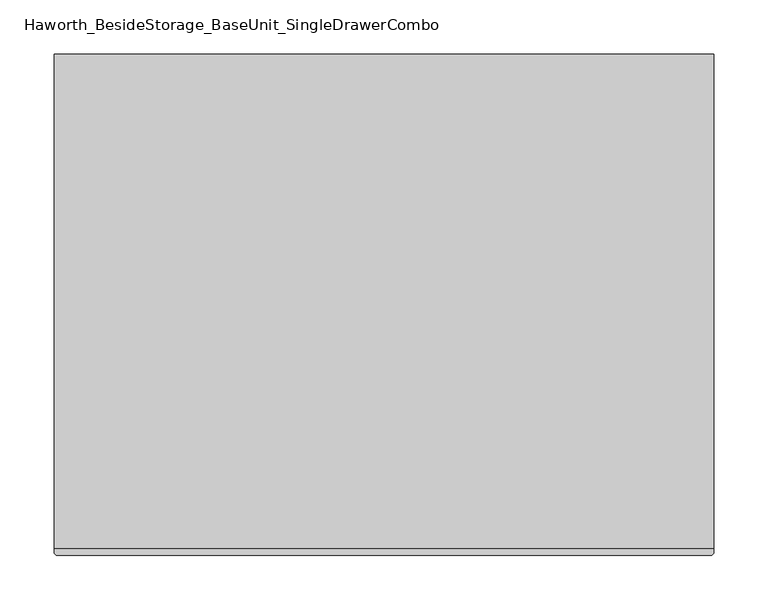
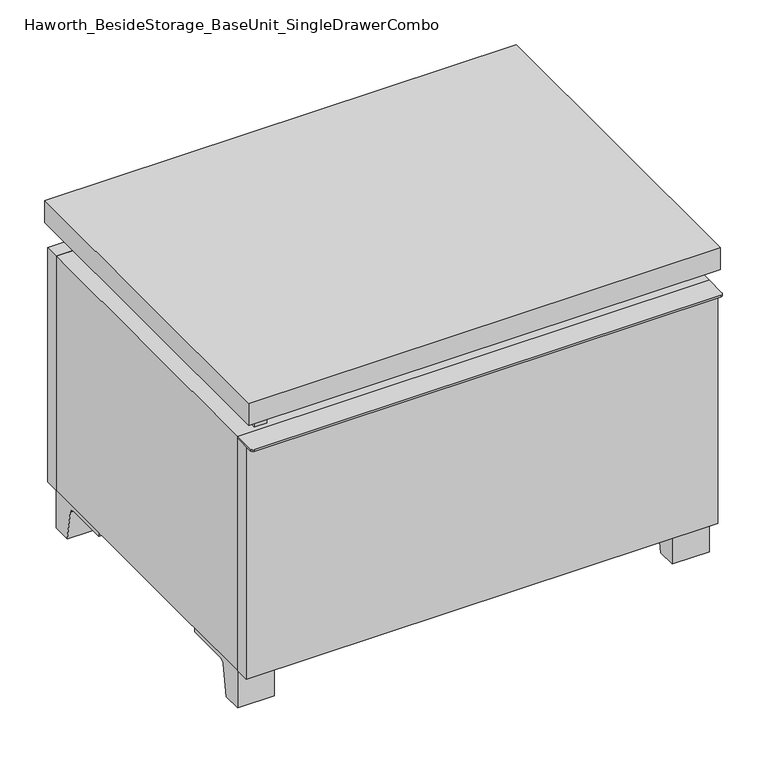
"""IFC4 building model written with IfcOpenShell, lengths in millimetres: furniture geometry, Haworth_BesideStorage_BaseUnit_SingleDrawerCombo."""

import ifcopenshell
import ifcopenshell.guid

model = None  # the IFC model being written
_history = None  # IfcOwnerHistory: only IFC2X3 demands one
_inside = {}  # id of a spatial element -> (the spatial element, [elements in it])
_under = {}  # id of a project, library or spatial element -> (it, [spatial elements below it])
_declared = {}  # id of a project -> (the project, [libraries it declares])
_typed = {}  # id of a type object -> (the type object, [elements of that type])
_made_of = {}  # id of a material, layer set ... -> (it, [elements and type objects made of it])


def new_model(schema):
    """Start an empty IFC model of exactly this schema.

    Asked for "IFC4X3", IfcOpenShell would pick the latest addendum, in which some entities
    have other attributes; the version numbers below select the first issue.
    IFC2X3 requires an IfcOwnerHistory on every rooted entity: one is made here for all.
    """
    global model, _history
    if schema == "IFC4X3":
        model = ifcopenshell.file(schema_version=(4, 3, 0, 0))
    else:
        model = ifcopenshell.file(schema=schema)
    _inside.clear()
    _under.clear()
    _declared.clear()
    _typed.clear()
    _made_of.clear()
    _history = None
    if model.schema == "IFC2X3":
        org = make("IfcOrganization", Name="unknown")
        user = make(
            "IfcPersonAndOrganization",
            ThePerson=make("IfcPerson", FamilyName="unknown"),
            TheOrganization=org,
        )
        app = make(
            "IfcApplication",
            ApplicationDeveloper=org,
            Version="unknown",
            ApplicationFullName="unknown",
            ApplicationIdentifier="unknown",
        )
        _history = make(
            "IfcOwnerHistory",
            OwningUser=user,
            OwningApplication=app,
            ChangeAction="ADDED",
            CreationDate=0,
        )
    return model


def make(cls, **values):
    """One entity of the class cls with the attributes given. An attribute that is None is left unset."""
    return model.create_entity(
        cls, **{name: value for name, value in values.items() if value is not None}
    )


def rooted(cls, **values):
    """An entity with a GlobalId (a new one), such as an element, a storey or a relation."""
    return make(cls, GlobalId=ifcopenshell.guid.new(), OwnerHistory=_history, **values)


def si_unit(unit_type, name, prefix=None):
    """IfcSIUnit, for example si_unit("LENGTHUNIT", "METRE", prefix="MILLI")."""
    return make("IfcSIUnit", UnitType=unit_type, Prefix=prefix, Name=name)


def assignment(units):
    """IfcUnitAssignment: the units of a project."""
    return None if units is None else make("IfcUnitAssignment", Units=units)


def point(xyz):
    """IfcCartesianPoint."""
    return None if xyz is None else make("IfcCartesianPoint", Coordinates=xyz)


def direction(xyz):
    """IfcDirection."""
    return None if xyz is None else make("IfcDirection", DirectionRatios=xyz)


def frame(location, z_axis=None, x_axis=None):
    """IfcAxis2Placement3D, a coordinate frame: its origin and axes. An axis left out is left unset."""
    return make(
        "IfcAxis2Placement3D",
        Location=point(location),
        Axis=direction(z_axis),
        RefDirection=direction(x_axis),
    )


def frame_2d(location, x_axis=None):
    """IfcAxis2Placement2D, a coordinate frame in the plane: its origin and x axis."""
    return make(
        "IfcAxis2Placement2D", Location=point(location), RefDirection=direction(x_axis)
    )


def origin():
    """The frame at (0, 0, 0) with its axes left unset."""
    return frame((0.0, 0.0, 0.0))


def place(relative_to, where):
    """IfcLocalPlacement: puts the frame where relative to a parent placement (None: the world)."""
    return make(
        "IfcLocalPlacement", PlacementRelTo=relative_to, RelativePlacement=where
    )


def context(
    kind, dimensions, precision=None, world=None, true_north=None, identifier=None
):
    """IfcGeometricRepresentationContext, for example the 3D "Model" context."""
    return make(
        "IfcGeometricRepresentationContext",
        ContextIdentifier=identifier,
        ContextType=kind,
        CoordinateSpaceDimension=dimensions,
        Precision=precision,
        WorldCoordinateSystem=world,
        TrueNorth=true_north,
    )


def project(units=None, contexts=None):
    """IfcProject with its units and contexts."""
    return rooted(
        "IfcProject",
        Name="project",
        RepresentationContexts=contexts,
        UnitsInContext=assignment(units),
    )


def spatial(cls, under=None, at=None, **own):
    """A site, building, storey or space (cls), placed at a placement, below another one or the project."""
    s = rooted(cls, ObjectPlacement=at, **own)
    if under is not None:
        _under.setdefault(under.id(), (under, []))[1].append(s)
    return s


def polyline(points):
    """IfcPolyline through the points."""
    return make("IfcPolyline", Points=[point(p) for p in points])


def circle_curve(where, radius):
    """IfcCircle in the frame where."""
    return make("IfcCircle", Position=where, Radius=radius)


def trimmed(basis, trim1, trim2, sense, master):
    """IfcTrimmedCurve: the piece of a basis curve between two trims."""
    return make(
        "IfcTrimmedCurve",
        BasisCurve=basis,
        Trim1=trim1,
        Trim2=trim2,
        SenseAgreement=sense,
        MasterRepresentation=master,
    )


def segment(curve, same_sense, transition):
    """IfcCompositeCurveSegment."""
    return make(
        "IfcCompositeCurveSegment",
        Transition=transition,
        SameSense=same_sense,
        ParentCurve=curve,
    )


def composite_curve(segments, self_intersect=None):
    """IfcCompositeCurve: segments joined end to end."""
    return make("IfcCompositeCurve", Segments=segments, SelfIntersect=self_intersect)


def outline(outer, holes=None, kind="AREA"):
    """IfcArbitraryClosedProfileDef: a profile drawn as a closed curve; with holes, ...WithVoids."""
    if holes is None:
        return make("IfcArbitraryClosedProfileDef", ProfileType=kind, OuterCurve=outer)
    return make(
        "IfcArbitraryProfileDefWithVoids",
        ProfileType=kind,
        OuterCurve=outer,
        InnerCurves=holes,
    )


def extrude(swept, where, along, depth):
    """IfcExtrudedAreaSolid: the profile swept, set in the frame where, extruded along a direction by depth."""
    return make(
        "IfcExtrudedAreaSolid",
        SweptArea=swept,
        Position=where,
        ExtrudedDirection=direction(along),
        Depth=depth,
    )


def shape(context_of_items, identifier, shape_type, items):
    """IfcShapeRepresentation: the items that make up one representation, for example the "Body"."""
    return make(
        "IfcShapeRepresentation",
        ContextOfItems=context_of_items,
        RepresentationIdentifier=identifier,
        RepresentationType=shape_type,
        Items=items,
    )


def source(mapping_origin, context_of_items, identifier, shape_type, items):
    """IfcRepresentationMap: a shape defined once, which mapped items show again and again."""
    return make(
        "IfcRepresentationMap",
        MappingOrigin=mapping_origin,
        MappedRepresentation=shape(context_of_items, identifier, shape_type, items),
    )


def transform(
    local_origin,
    x_axis=None,
    y_axis=None,
    z_axis=None,
    scale=None,
    scale2=None,
    scale3=None,
    uniform=True,
):
    """IfcCartesianTransformationOperator3D, or its non-uniform kind. x_axis, y_axis, z_axis: its Axis1, 2, 3."""
    if uniform:
        return make(
            "IfcCartesianTransformationOperator3D",
            Axis1=direction(x_axis),
            Axis2=direction(y_axis),
            LocalOrigin=point(local_origin),
            Scale=scale,
            Axis3=direction(z_axis),
        )
    return make(
        "IfcCartesianTransformationOperator3DnonUniform",
        Axis1=direction(x_axis),
        Axis2=direction(y_axis),
        LocalOrigin=point(local_origin),
        Scale=scale,
        Axis3=direction(z_axis),
        Scale2=scale2,
        Scale3=scale3,
    )


def mapped(mapping_source, mapping_target):
    """IfcMappedItem: shows the shape of a source again, moved by a transform."""
    return make(
        "IfcMappedItem", MappingSource=mapping_source, MappingTarget=mapping_target
    )


def made_of(thing, what):
    """Note that an element or type object is made of a material, layer set ...; save() writes the relation."""
    if what is not None:
        _made_of.setdefault(what.id(), (what, []))[1].append(thing)
    return thing


def element(
    cls,
    number,
    at=None,
    inside=None,
    cuts=None,
    type_object=None,
    material=None,
    context=None,
    identifier="Body",
    shape_type=None,
    held_by="IfcProductDefinitionShape",
    body=None,
    shapes=None,
    **own,
):
    """One element of the class cls, such as IfcWall. Its Tag is "e" and its number.

    at: its placement. inside: the storey or other place that contains it. cuts: it is an
    opening in that element (IfcRelVoidsElement). A single representation is given by context,
    identifier, shape_type and body (its items); several are given by shapes. held_by: the class
    of the entity that holds the representations. save() writes the other relations.
    """
    e = rooted(cls, Tag="e%d" % number, ObjectPlacement=at, **own)
    if body is not None:
        shapes = [shape(context, identifier, shape_type, body)]
    if shapes is not None:
        e.Representation = make(held_by, Representations=shapes)
    if inside is not None:
        _inside.setdefault(inside.id(), (inside, []))[1].append(e)
    if cuts is not None:
        rooted(
            "IfcRelVoidsElement", RelatingBuildingElement=cuts, RelatedOpeningElement=e
        )
    if type_object is not None:
        _typed.setdefault(type_object.id(), (type_object, []))[1].append(e)
    return made_of(e, material)


def aggregate(whole, parts):
    """IfcRelAggregates: a whole, such as a stair, and the parts it consists of."""
    return rooted("IfcRelAggregates", RelatingObject=whole, RelatedObjects=parts)


def save(model, path):
    """Write the relations noted so far, then the file.

    IfcRelAggregates (storeys below a building ...), IfcRelContainedInSpatialStructure (elements
    in a storey), IfcRelDefinesByType, IfcRelAssociatesMaterial and IfcRelDeclares: one each for
    every whole, place, type object, material and project.
    """
    for whole, parts in _under.values():
        aggregate(whole, parts)
    for where, things in _inside.values():
        rooted(
            "IfcRelContainedInSpatialStructure",
            RelatedElements=things,
            RelatingStructure=where,
        )
    for kind, things in _typed.values():
        rooted("IfcRelDefinesByType", RelatedObjects=things, RelatingType=kind)
    for what, things in _made_of.values():
        rooted("IfcRelAssociatesMaterial", RelatedObjects=things, RelatingMaterial=what)
    for by, libraries in _declared.values():
        rooted("IfcRelDeclares", RelatingContext=by, RelatedDefinitions=libraries)
    model.write(path)


def haworth_besidestorage_baseunit_singledrawercombo_27cc4635(model_context):
    return source(origin(), model_context, "Body", "SweptSolid", [
        extrude(outline(composite_curve([segment(polyline([(304.8138906, -139.7), (304.8138906, -168.275)]), True, "CONTINUOUS"), segment(trimmed(circle_curve(frame_2d((301.6388906, -168.275)), 3.175), [point((304.8138906, -168.275))], [point((301.6388906, -171.45))], False, "CARTESIAN"), True, "CONTINUOUS"), segment(polyline([(301.6388906, -171.45), (-301.6111094, -171.45)]), True, "CONTINUOUS"), segment(trimmed(circle_curve(frame_2d((-301.6111094, -168.275)), 3.175), [point((-301.6111094, -171.45))], [point((-304.7861094, -168.275))], False, "CARTESIAN"), True, "CONTINUOUS"), segment(polyline([(-304.7861094, -168.275), (-304.7861094, -139.7), (304.8138906, -139.7)]), True, "CONTINUOUS")], self_intersect=False)), frame((0.0, 0.0, 369.09375), z_axis=(0.0, 0.0, 1.0), x_axis=(1.0, 0.0, 0.0)), (0.0, 0.0, 1.0), 2.38125),
        extrude(outline(polyline([(304.8138906, -139.7), (304.8138906, -158.75), (-304.7861094, -158.75), (-304.7861094, -139.7), (304.8138906, -139.7)])), frame((0.0, 0.0, 50.8), z_axis=(0.0, 0.0, 1.0), x_axis=(1.0, 0.0, 0.0)), (0.0, 0.0, 1.0), 318.29375),
        extrude(outline(polyline([(304.8138906, 292.1), (304.8138906, -165.1), (-304.7861094, -165.1), (-304.7861094, 292.1), (304.8138906, 292.1)])), frame((0.0, 0.0, 401.6375), z_axis=(0.0, 0.0, 1.0), x_axis=(1.0, 0.0, 0.0)), (0.0, 0.0, 1.0), 30.1625),
        extrude(outline(composite_curve([segment(polyline([(-114.3000136, 0.0), (-139.7, 0.0), (-139.7, 50.8), (-44.45, 50.8), (-44.45, 46.0213321), (-101.2505345, 46.0213321)]), True, "CONTINUOUS"), segment(trimmed(circle_curve(frame_2d((-101.2505345, 39.6713321)), 6.35), [point((-101.2505345, 46.0213321))], [point((-107.5141359, 40.7152656))], True, "CARTESIAN"), True, "CONTINUOUS"), segment(polyline([(-107.5141359, 40.7152656), (-114.3000136, 0.0)]), True, "CONTINUOUS")], self_intersect=False)), frame((257.1888906, 0.0, 0.0), z_axis=(1.0, 0.0, 0.0), x_axis=(0.0, 1.0, 0.0)), (0.0, 0.0, 1.0), 47.625),
        extrude(outline(composite_curve([segment(polyline([(241.3000136, 0.0), (234.5141359, 40.7152656)]), True, "CONTINUOUS"), segment(trimmed(circle_curve(frame_2d((228.2505345, 39.6713321)), 6.35), [point((234.5141359, 40.7152656))], [point((228.2505345, 46.0213321))], True, "CARTESIAN"), True, "CONTINUOUS"), segment(polyline([(228.2505345, 46.0213321), (171.45, 46.0213321), (171.45, 50.8), (266.7, 50.8), (266.7, 0.0), (241.3000136, 0.0)]), True, "CONTINUOUS")], self_intersect=False)), frame((257.1888906, 0.0, 0.0), z_axis=(1.0, 0.0, 0.0), x_axis=(0.0, 1.0, 0.0)), (0.0, 0.0, 1.0), 47.625),
        extrude(outline(composite_curve([segment(polyline([(-114.3000136, 0.0), (-139.7, 0.0), (-139.7, 50.8), (-44.45, 50.8), (-44.45, 46.0213321), (-101.2505345, 46.0213321)]), True, "CONTINUOUS"), segment(trimmed(circle_curve(frame_2d((-101.2505345, 39.6713321)), 6.35), [point((-101.2505345, 46.0213321))], [point((-107.5141359, 40.7152656))], True, "CARTESIAN"), True, "CONTINUOUS"), segment(polyline([(-107.5141359, 40.7152656), (-114.3000136, 0.0)]), True, "CONTINUOUS")], self_intersect=False)), frame((-304.7861094, 0.0, 0.0), z_axis=(1.0, 0.0, 0.0), x_axis=(0.0, 1.0, 0.0)), (0.0, 0.0, 1.0), 47.625),
        extrude(outline(composite_curve([segment(polyline([(241.3000136, 0.0), (234.5141359, 40.7152656)]), True, "CONTINUOUS"), segment(trimmed(circle_curve(frame_2d((228.2505345, 39.6713321)), 6.35), [point((234.5141359, 40.7152656))], [point((228.2505345, 46.0213321))], True, "CARTESIAN"), True, "CONTINUOUS"), segment(polyline([(228.2505345, 46.0213321), (171.45, 46.0213321), (171.45, 50.8), (266.7, 50.8), (266.7, 0.0), (241.3000136, 0.0)]), True, "CONTINUOUS")], self_intersect=False)), frame((-304.7861094, 0.0, 0.0), z_axis=(1.0, 0.0, 0.0), x_axis=(0.0, 1.0, 0.0)), (0.0, 0.0, 1.0), 47.625),
        extrude(outline(polyline([(-279.3791641, -133.35), (-279.3791641, 234.95), (-263.5041641, 234.95), (-263.5041641, 73.025), (263.5111094, 73.025), (263.5111094, 247.65), (279.3861094, 247.65), (279.3861094, -120.65), (263.5111094, -120.65), (263.5111094, 53.975), (-263.5041641, 53.975), (-263.5041641, -133.35), (-279.3791641, -133.35)])), frame((0.0, 0.0, 371.475), z_axis=(0.0, 0.0, 1.0), x_axis=(1.0, 0.0, 0.0)), (0.0, 0.0, 1.0), 30.1625),
        extrude(outline(polyline([(304.8138906, 266.7), (-304.7861094, 266.7), (-304.7861094, 285.75), (304.8138906, 285.75), (304.8138906, 266.7)])), frame((0.0, 0.0, 50.8), z_axis=(0.0, 0.0, 1.0), x_axis=(1.0, 0.0, 0.0)), (0.0, 0.0, 1.0), 320.675),
        extrude(outline(polyline([(50.8, -304.7861094), (50.8, 304.8), (371.475, 304.8), (371.475, -304.7861094), (50.8, -304.7861094)]), holes=[polyline([(69.85, -285.7361094), (352.425, -285.7361094), (352.425, 285.7361094), (69.85, 285.7361094), (69.85, -285.7361094)])]), frame((0.0, -139.7, 0.0), z_axis=(0.0, 1.0, 0.0), x_axis=(0.0, 0.0, 1.0)), (0.0, 0.0, 1.0), 406.4),
        extrude(outline(polyline([(-285.7291641, 234.95), (-285.7291641, 241.3), (285.7569453, 241.3), (285.7569453, 234.95), (-285.7291641, 234.95)])), frame((0.0, 0.0, 69.85), z_axis=(0.0, 0.0, 1.0), x_axis=(1.0, 0.0, 0.0)), (0.0, 0.0, 1.0), 282.575),
    ])


if __name__ == "__main__":
    model = new_model("IFC4")
    model_context = context("Model", 3, world=origin())
    ifc_project = project(units=[si_unit("LENGTHUNIT", "METRE", prefix="MILLI")], contexts=[model_context])
    site = spatial("IfcSite", under=ifc_project)
    building = spatial("IfcBuilding", under=site)
    placement = place(None, origin())
    haworth_besidestorage_baseunit_singledrawercombo_shape = haworth_besidestorage_baseunit_singledrawercombo_27cc4635(model_context)
    element("IfcFurniture", 1, ObjectType="Haworth_BesideStorage_BaseUnit_SingleDrawerCombo", at=placement, inside=building, context=model_context, shape_type="MappedRepresentation", body=[
        mapped(haworth_besidestorage_baseunit_singledrawercombo_shape, transform((0.0, 0.0, 0.0), x_axis=(1.0, 0.0, 0.0), y_axis=(0.0, 1.0, 0.0), z_axis=(0.0, 0.0, 1.0))),
    ])
    save(model, "model.ifc")
